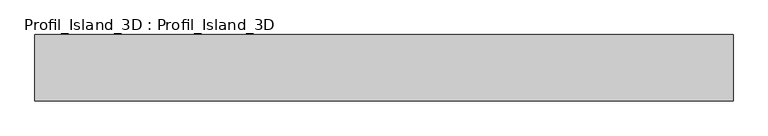
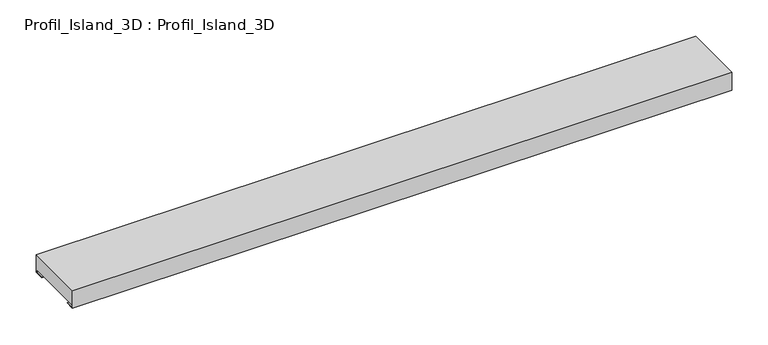
"""IFC4 building model written with IfcOpenShell, lengths in millimetres: proxy geometry, Profil_Island_3D : Profil_Island_3D."""

from ifc_helpers import new_model, si_unit, origin, place, context, project, spatial, faceted_brep, source, transform, mapped, element, save


def profil_island_3d_profil_island_3d_593853c7(model_context):
    return source(origin(), model_context, "Body", "Brep", [
        faceted_brep([(0.0, 50.0, 0.0), (0.0, 50.0, -30.0), (0.0, 35.0, -30.0), (0.0, 35.0, -29.2), (0.0, 49.2, -29.2), (0.0, 49.2, -25.0), (0.0, -49.2, -25.0), (0.0, -49.2, -29.2), (0.0, -35.0, -29.2), (0.0, -35.0, -30.0), (0.0, -50.0, -30.0), (0.0, -50.0, 0.0), (1050.0, -50.0, 0.0), (1050.0, -50.0, -30.0), (1050.0, -35.0, -30.0), (1050.0, -35.0, -29.2), (1050.0, -49.2, -29.2), (1050.0, -49.2, -25.0), (1050.0, 49.2, -25.0), (1050.0, 49.2, -29.2), (1050.0, 35.0, -29.2), (1050.0, 35.0, -30.0), (1050.0, 50.0, -30.0), (1050.0, 50.0, 0.0), (1049.2, 49.2, -25.0), (1049.2, 49.2, -0.8), (0.8, 49.2, -0.8), (0.8, 49.2, -25.0), (0.8, -49.2, -0.8), (1049.2, -49.2, -0.8), (0.8, -49.2, -25.0), (1049.2, -49.2, -25.0)], [[[0, 1, 2, 3, 4, 5, 6, 7, 8, 9, 10, 11]], [[12, 13, 14, 15, 16, 17, 18, 19, 20, 21, 22, 23]], [[11, 12, 23, 0]], [[1, 0, 23, 22]], [[2, 1, 22, 21]], [[3, 2, 21, 20]], [[4, 3, 20, 19]], [[4, 19, 18, 24, 25, 26, 27, 5]], [[28, 26, 25, 29]], [[16, 7, 6, 30, 28, 29, 31, 17]], [[8, 7, 16, 15]], [[9, 8, 15, 14]], [[10, 9, 14, 13]], [[11, 10, 13, 12]], [[6, 5, 27, 30]], [[30, 27, 26, 28]], [[31, 24, 18, 17]], [[24, 31, 29, 25]]]),
    ])


if __name__ == "__main__":
    model = new_model("IFC4")
    model_context = context("Model", 3, world=origin())
    ifc_project = project(units=[si_unit("LENGTHUNIT", "METRE", prefix="MILLI")], contexts=[model_context])
    site = spatial("IfcSite", under=ifc_project)
    building = spatial("IfcBuilding", under=site)
    placement = place(None, origin())
    profil_island_3d_profil_island_3d_shape = profil_island_3d_profil_island_3d_593853c7(model_context)
    element("IfcBuildingElementProxy", 1, Name="Profil_Island_3D : Profil_Island_3D", ObjectType="Profil_Island_3D : Profil_Island_3D", at=placement, inside=building, context=model_context, shape_type="MappedRepresentation", body=[
        mapped(profil_island_3d_profil_island_3d_shape, transform((0.0, 0.0, 0.0), x_axis=(1.0, 0.0, 0.0), y_axis=(0.0, 1.0, 0.0), z_axis=(0.0, 0.0, 1.0))),
    ])
    save(model, "model.ifc")
